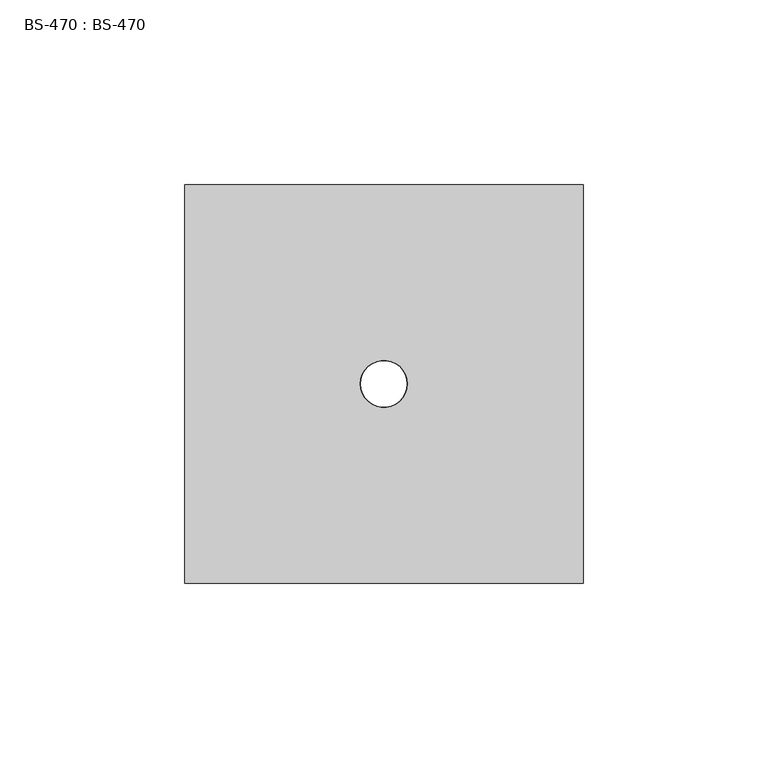
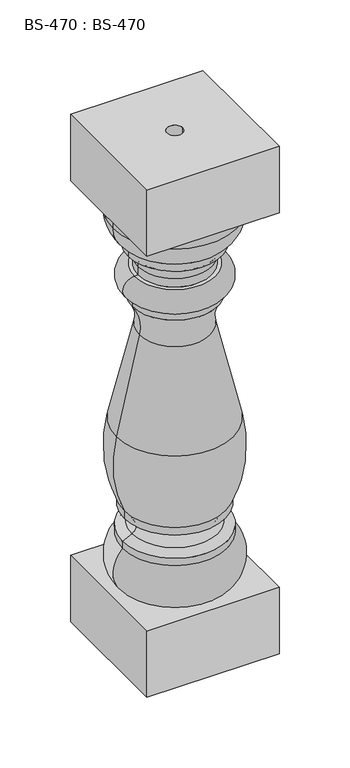
"""IFC4 building model written with IfcOpenShell, lengths in millimetres: proxy geometry, BS-470 : BS-470."""

import ifcopenshell
import ifcopenshell.guid

model = None  # the IFC model being written
_history = None  # IfcOwnerHistory: only IFC2X3 demands one
_inside = {}  # id of a spatial element -> (the spatial element, [elements in it])
_under = {}  # id of a project, library or spatial element -> (it, [spatial elements below it])
_declared = {}  # id of a project -> (the project, [libraries it declares])
_typed = {}  # id of a type object -> (the type object, [elements of that type])
_made_of = {}  # id of a material, layer set ... -> (it, [elements and type objects made of it])


def new_model(schema):
    """Start an empty IFC model of exactly this schema.

    Asked for "IFC4X3", IfcOpenShell would pick the latest addendum, in which some entities
    have other attributes; the version numbers below select the first issue.
    IFC2X3 requires an IfcOwnerHistory on every rooted entity: one is made here for all.
    """
    global model, _history
    if schema == "IFC4X3":
        model = ifcopenshell.file(schema_version=(4, 3, 0, 0))
    else:
        model = ifcopenshell.file(schema=schema)
    _inside.clear()
    _under.clear()
    _declared.clear()
    _typed.clear()
    _made_of.clear()
    _history = None
    if model.schema == "IFC2X3":
        org = make("IfcOrganization", Name="unknown")
        user = make(
            "IfcPersonAndOrganization",
            ThePerson=make("IfcPerson", FamilyName="unknown"),
            TheOrganization=org,
        )
        app = make(
            "IfcApplication",
            ApplicationDeveloper=org,
            Version="unknown",
            ApplicationFullName="unknown",
            ApplicationIdentifier="unknown",
        )
        _history = make(
            "IfcOwnerHistory",
            OwningUser=user,
            OwningApplication=app,
            ChangeAction="ADDED",
            CreationDate=0,
        )
    return model


def make(cls, **values):
    """One entity of the class cls with the attributes given. An attribute that is None is left unset."""
    return model.create_entity(
        cls, **{name: value for name, value in values.items() if value is not None}
    )


def rooted(cls, **values):
    """An entity with a GlobalId (a new one), such as an element, a storey or a relation."""
    return make(cls, GlobalId=ifcopenshell.guid.new(), OwnerHistory=_history, **values)


def si_unit(unit_type, name, prefix=None):
    """IfcSIUnit, for example si_unit("LENGTHUNIT", "METRE", prefix="MILLI")."""
    return make("IfcSIUnit", UnitType=unit_type, Prefix=prefix, Name=name)


def assignment(units):
    """IfcUnitAssignment: the units of a project."""
    return None if units is None else make("IfcUnitAssignment", Units=units)


def point(xyz):
    """IfcCartesianPoint."""
    return None if xyz is None else make("IfcCartesianPoint", Coordinates=xyz)


def direction(xyz):
    """IfcDirection."""
    return None if xyz is None else make("IfcDirection", DirectionRatios=xyz)


def frame(location, z_axis=None, x_axis=None):
    """IfcAxis2Placement3D, a coordinate frame: its origin and axes. An axis left out is left unset."""
    return make(
        "IfcAxis2Placement3D",
        Location=point(location),
        Axis=direction(z_axis),
        RefDirection=direction(x_axis),
    )


def frame_2d(location, x_axis=None):
    """IfcAxis2Placement2D, a coordinate frame in the plane: its origin and x axis."""
    return make(
        "IfcAxis2Placement2D", Location=point(location), RefDirection=direction(x_axis)
    )


def origin():
    """The frame at (0, 0, 0) with its axes left unset."""
    return frame((0.0, 0.0, 0.0))


def origin_with_axes():
    """The frame at (0, 0, 0) with the z axis (0, 0, 1) and the x axis (1, 0, 0) written out."""
    return frame((0.0, 0.0, 0.0), z_axis=(0.0, 0.0, 1.0), x_axis=(1.0, 0.0, 0.0))


def place(relative_to, where):
    """IfcLocalPlacement: puts the frame where relative to a parent placement (None: the world)."""
    return make(
        "IfcLocalPlacement", PlacementRelTo=relative_to, RelativePlacement=where
    )


def context(
    kind, dimensions, precision=None, world=None, true_north=None, identifier=None
):
    """IfcGeometricRepresentationContext, for example the 3D "Model" context."""
    return make(
        "IfcGeometricRepresentationContext",
        ContextIdentifier=identifier,
        ContextType=kind,
        CoordinateSpaceDimension=dimensions,
        Precision=precision,
        WorldCoordinateSystem=world,
        TrueNorth=true_north,
    )


def project(units=None, contexts=None):
    """IfcProject with its units and contexts."""
    return rooted(
        "IfcProject",
        Name="project",
        RepresentationContexts=contexts,
        UnitsInContext=assignment(units),
    )


def spatial(cls, under=None, at=None, **own):
    """A site, building, storey or space (cls), placed at a placement, below another one or the project."""
    s = rooted(cls, ObjectPlacement=at, **own)
    if under is not None:
        _under.setdefault(under.id(), (under, []))[1].append(s)
    return s


def polyline(points):
    """IfcPolyline through the points."""
    return make("IfcPolyline", Points=[point(p) for p in points])


def circle_curve(where, radius):
    """IfcCircle in the frame where."""
    return make("IfcCircle", Position=where, Radius=radius)


def ellipse_curve(where, semi_axis1, semi_axis2):
    """IfcEllipse in the frame where."""
    return make(
        "IfcEllipse", Position=where, SemiAxis1=semi_axis1, SemiAxis2=semi_axis2
    )


def trimmed(basis, trim1, trim2, sense, master):
    """IfcTrimmedCurve: the piece of a basis curve between two trims."""
    return make(
        "IfcTrimmedCurve",
        BasisCurve=basis,
        Trim1=trim1,
        Trim2=trim2,
        SenseAgreement=sense,
        MasterRepresentation=master,
    )


def segment(curve, same_sense, transition):
    """IfcCompositeCurveSegment."""
    return make(
        "IfcCompositeCurveSegment",
        Transition=transition,
        SameSense=same_sense,
        ParentCurve=curve,
    )


def composite_curve(segments, self_intersect=None):
    """IfcCompositeCurve: segments joined end to end."""
    return make("IfcCompositeCurve", Segments=segments, SelfIntersect=self_intersect)


def outline(outer, holes=None, kind="AREA"):
    """IfcArbitraryClosedProfileDef: a profile drawn as a closed curve; with holes, ...WithVoids."""
    if holes is None:
        return make("IfcArbitraryClosedProfileDef", ProfileType=kind, OuterCurve=outer)
    return make(
        "IfcArbitraryProfileDefWithVoids",
        ProfileType=kind,
        OuterCurve=outer,
        InnerCurves=holes,
    )


def extrude(swept, where, along, depth):
    """IfcExtrudedAreaSolid: the profile swept, set in the frame where, extruded along a direction by depth."""
    return make(
        "IfcExtrudedAreaSolid",
        SweptArea=swept,
        Position=where,
        ExtrudedDirection=direction(along),
        Depth=depth,
    )


def shape(context_of_items, identifier, shape_type, items):
    """IfcShapeRepresentation: the items that make up one representation, for example the "Body"."""
    return make(
        "IfcShapeRepresentation",
        ContextOfItems=context_of_items,
        RepresentationIdentifier=identifier,
        RepresentationType=shape_type,
        Items=items,
    )


def source(mapping_origin, context_of_items, identifier, shape_type, items):
    """IfcRepresentationMap: a shape defined once, which mapped items show again and again."""
    return make(
        "IfcRepresentationMap",
        MappingOrigin=mapping_origin,
        MappedRepresentation=shape(context_of_items, identifier, shape_type, items),
    )


def transform(
    local_origin,
    x_axis=None,
    y_axis=None,
    z_axis=None,
    scale=None,
    scale2=None,
    scale3=None,
    uniform=True,
):
    """IfcCartesianTransformationOperator3D, or its non-uniform kind. x_axis, y_axis, z_axis: its Axis1, 2, 3."""
    if uniform:
        return make(
            "IfcCartesianTransformationOperator3D",
            Axis1=direction(x_axis),
            Axis2=direction(y_axis),
            LocalOrigin=point(local_origin),
            Scale=scale,
            Axis3=direction(z_axis),
        )
    return make(
        "IfcCartesianTransformationOperator3DnonUniform",
        Axis1=direction(x_axis),
        Axis2=direction(y_axis),
        LocalOrigin=point(local_origin),
        Scale=scale,
        Axis3=direction(z_axis),
        Scale2=scale2,
        Scale3=scale3,
    )


def mapped(mapping_source, mapping_target):
    """IfcMappedItem: shows the shape of a source again, moved by a transform."""
    return make(
        "IfcMappedItem", MappingSource=mapping_source, MappingTarget=mapping_target
    )


def made_of(thing, what):
    """Note that an element or type object is made of a material, layer set ...; save() writes the relation."""
    if what is not None:
        _made_of.setdefault(what.id(), (what, []))[1].append(thing)
    return thing


def element(
    cls,
    number,
    at=None,
    inside=None,
    cuts=None,
    type_object=None,
    material=None,
    context=None,
    identifier="Body",
    shape_type=None,
    held_by="IfcProductDefinitionShape",
    body=None,
    shapes=None,
    **own,
):
    """One element of the class cls, such as IfcWall. Its Tag is "e" and its number.

    at: its placement. inside: the storey or other place that contains it. cuts: it is an
    opening in that element (IfcRelVoidsElement). A single representation is given by context,
    identifier, shape_type and body (its items); several are given by shapes. held_by: the class
    of the entity that holds the representations. save() writes the other relations.
    """
    e = rooted(cls, Tag="e%d" % number, ObjectPlacement=at, **own)
    if body is not None:
        shapes = [shape(context, identifier, shape_type, body)]
    if shapes is not None:
        e.Representation = make(held_by, Representations=shapes)
    if inside is not None:
        _inside.setdefault(inside.id(), (inside, []))[1].append(e)
    if cuts is not None:
        rooted(
            "IfcRelVoidsElement", RelatingBuildingElement=cuts, RelatedOpeningElement=e
        )
    if type_object is not None:
        _typed.setdefault(type_object.id(), (type_object, []))[1].append(e)
    return made_of(e, material)


def aggregate(whole, parts):
    """IfcRelAggregates: a whole, such as a stair, and the parts it consists of."""
    return rooted("IfcRelAggregates", RelatingObject=whole, RelatedObjects=parts)


def save(model, path):
    """Write the relations noted so far, then the file.

    IfcRelAggregates (storeys below a building ...), IfcRelContainedInSpatialStructure (elements
    in a storey), IfcRelDefinesByType, IfcRelAssociatesMaterial and IfcRelDeclares: one each for
    every whole, place, type object, material and project.
    """
    for whole, parts in _under.values():
        aggregate(whole, parts)
    for where, things in _inside.values():
        rooted(
            "IfcRelContainedInSpatialStructure",
            RelatedElements=things,
            RelatingStructure=where,
        )
    for kind, things in _typed.values():
        rooted("IfcRelDefinesByType", RelatedObjects=things, RelatingType=kind)
    for what, things in _made_of.values():
        rooted("IfcRelAssociatesMaterial", RelatedObjects=things, RelatingMaterial=what)
    for by, libraries in _declared.values():
        rooted("IfcRelDeclares", RelatingContext=by, RelatedDefinitions=libraries)
    model.write(path)


def plane_surface(at):
    """IfcPlane: the flat surface through the origin of the frame at, square to its z axis."""
    return make("IfcPlane", Position=at)


def cylinder_surface(at, radius):
    """IfcCylindricalSurface: all points at the distance radius from the z axis of the frame at."""
    return make("IfcCylindricalSurface", Position=at, Radius=radius)


def revolved_surface(curve, axis_point, axis_direction):
    """IfcSurfaceOfRevolution: the curve turned about the line through axis_point along axis_direction."""
    return make(
        "IfcSurfaceOfRevolution",
        SweptCurve=make("IfcArbitraryOpenProfileDef", ProfileType="CURVE", Curve=curve),
        AxisPosition=make("IfcAxis1Placement", Location=point(axis_point), Axis=direction(axis_direction)),
    )


def advanced_brep(points, edges, surfaces, faces):
    """IfcAdvancedBrep: a solid bounded by faces that lie on surfaces and meet in shared edges.

    An edge is (start, end): straight between two places in points (the first is 0);
    or (start, end, curve); or (start, end, curve, False) where it runs against its curve.
    A face is (place in surfaces, loops), or (place, loops, False) where it looks against
    its surface's normal. A loop lists edges by number (the first is 1), with a minus sign
    where the edge is run from its end to its start. The first loop is the outer one.
    """
    corners = [point(p) for p in points]
    vertices = [make("IfcVertexPoint", VertexGeometry=c) for c in corners]
    made = []
    for start, end, *more in edges:
        made.append(
            make(
                "IfcEdgeCurve",
                EdgeStart=vertices[start],
                EdgeEnd=vertices[end],
                EdgeGeometry=more[0] if more else make("IfcPolyline", Points=[corners[start], corners[end]]),
                SameSense=more[1] if len(more) > 1 else True,
            )
        )
    hull = []
    for where, loops, *sense in faces:
        bounds = []
        for j, loop in enumerate(loops):
            ring = [make("IfcOrientedEdge", EdgeElement=made[abs(k) - 1], Orientation=k > 0) for k in loop]
            bounds.append(
                make(
                    "IfcFaceOuterBound" if j == 0 else "IfcFaceBound",
                    Bound=make("IfcEdgeLoop", EdgeList=ring),
                    Orientation=True,
                )
            )
        hull.append(make("IfcAdvancedFace", Bounds=bounds, FaceSurface=surfaces[where], SameSense=sense[0] if sense else True))
    return make("IfcAdvancedBrep", Outer=make("IfcClosedShell", CfsFaces=hull))


def bs_470_bs_470_56247c0d(model_context):
    return source(origin(), model_context, "Body", "SolidModel", [
        extrude(outline(polyline([(53.975, -53.975), (-53.975, -53.975), (-53.975, 53.975), (53.975, 53.975), (53.975, -53.975)]), holes=[composite_curve([segment(trimmed(circle_curve(frame_2d((-0.0004312, 0.0)), 6.35), [point((-6.3504312, 0.0))], [point((6.3495688, 0.0))], True, "CARTESIAN"), True, "CONTINUOUS"), segment(trimmed(circle_curve(frame_2d((-0.0004312, 0.0)), 6.35), [point((6.3495688, 0.0))], [point((-6.3504312, 0.0))], True, "CARTESIAN"), True, "CONTINUOUS")], self_intersect=False)]), origin_with_axes(), (0.0, 0.0, 1.0), 57.15),
        advanced_brep(
        [(-50.8002156, 0.0, 371.2470453), (50.7997844, 0.0, 371.2470453), (38.0997844, 0.0, 349.25), (-38.1002156, 0.0, 349.25), (-50.8002156, 0.0, 381.0), (50.7997844, 0.0, 381.0), (-6.3504312, 0.0, 381.0), (6.3495688, 0.0, 381.0), (-44.7282352, 0.0, 57.15), (44.727804, 0.0, 57.15), (6.3495688, 0.0, 57.15), (-6.3504312, 0.0, 57.15), (-42.8627156, 0.0, 92.075), (42.8622844, 0.0, 92.075), (-42.8627156, 0.0, 98.425), (42.8622844, 0.0, 98.425), (-35.2978513, 0.0, 102.1508718), (35.2974201, 0.0, 102.1508718), (-34.6471333, 0.0, 113.1743127), (34.646702, 0.0, 113.1743127), (-41.2752156, 0.0, 117.475), (41.2747844, 0.0, 117.475), (-41.2752156, 0.0, 123.825), (41.2747844, 0.0, 123.825), (-48.0563106, 0.0, 190.2283753), (48.0558793, 0.0, 190.2283753), (-29.1151859, 0.0, 271.6548667), (29.1147547, 0.0, 271.6548667), (-34.9252156, 0.0, 298.45), (34.9247844, 0.0, 298.45), (-34.9252156, 0.0, 304.8), (34.9247844, 0.0, 304.8), (-36.4854003, 0.0, 305.3600005), (36.4849691, 0.0, 305.3600005), (-33.2675737, 0.0, 323.85), (33.2671425, 0.0, 323.85), (-30.1627156, 0.0, 323.85), (30.1622844, 0.0, 323.85), (-30.1627156, 0.0, 331.1267849), (30.1622844, 0.0, 331.1267849), (-38.1002156, 0.0, 342.9), (38.0997844, 0.0, 342.9)],
        [
            (0, 1, circle_curve(frame((-0.0002156, 0.0, 371.2470453), z_axis=(0.0, 0.0, -1.0), x_axis=(1.0, 0.0, 0.0)), 50.8)),
            (1, 2, circle_curve(frame((25.3997844, 0.0, 371.2470453), z_axis=(0.0, 1.0, 0.0), x_axis=(1.0, 0.0, 0.0)), 25.4)),
            (2, 3, circle_curve(frame((-0.0002156, 0.0, 349.25), z_axis=(0.0, 0.0, 1.0), x_axis=(1.0, 0.0, 0.0)), 38.1)),
            (3, 0, circle_curve(frame((-25.4002156, 0.0, 371.2470453), z_axis=(0.0, 1.0, 0.0), x_axis=(-1.0, 0.0, 0.0)), 25.4)),
            (1, 0, circle_curve(frame((-0.0002156, 0.0, 371.2470453), z_axis=(0.0, 0.0, -1.0), x_axis=(1.0, 0.0, 0.0)), 50.8)),
            (3, 2, circle_curve(frame((-0.0002156, 0.0, 349.25), z_axis=(0.0, 0.0, 1.0), x_axis=(1.0, 0.0, 0.0)), 38.1)),
            (0, 4),
            (4, 5, circle_curve(frame((-0.0002156, 0.0, 381.0), z_axis=(0.0, 0.0, -1.0), x_axis=(1.0, 0.0, 0.0)), 50.8)),
            (5, 1),
            (5, 4, circle_curve(frame((-0.0002156, 0.0, 381.0), z_axis=(0.0, 0.0, -1.0), x_axis=(1.0, 0.0, 0.0)), 50.8)),
            (4, 6),
            (6, 7, circle_curve(frame((-0.0004312, 0.0, 381.0), z_axis=(0.0, 0.0, -1.0), x_axis=(1.0, 0.0, 0.0)), 6.35)),
            (7, 5),
            (7, 6, circle_curve(frame((-0.0004312, 0.0, 381.0), z_axis=(0.0, 0.0, -1.0), x_axis=(1.0, 0.0, 0.0)), 6.35)),
            (8, 9, circle_curve(frame((-0.0002156, 0.0, 57.15), z_axis=(0.0, 0.0, -1.0), x_axis=(1.0, 0.0, 0.0)), 44.7280196)),
            (9, 10),
            (10, 11, circle_curve(frame((-0.0004312, 0.0, 57.15), z_axis=(0.0, 0.0, 1.0), x_axis=(1.0, 0.0, 0.0)), 6.35)),
            (11, 8),
            (9, 8, circle_curve(frame((-0.0002156, 0.0, 57.15), z_axis=(0.0, 0.0, -1.0), x_axis=(1.0, 0.0, 0.0)), 44.7280196)),
            (11, 10, circle_curve(frame((-0.0004312, 0.0, 57.15), z_axis=(0.0, 0.0, 1.0), x_axis=(1.0, 0.0, 0.0)), 6.35)),
            (8, 12, circle_curve(frame((-25.4002156, 0.0, 73.6299168), z_axis=(0.0, 1.0, 0.0), x_axis=(-1.0, 0.0, 0.0)), 25.4)),
            (12, 13, circle_curve(frame((-0.0002156, 0.0, 92.075), z_axis=(0.0, 0.0, -1.0), x_axis=(1.0, 0.0, 0.0)), 42.8625)),
            (13, 9, circle_curve(frame((25.3997844, 0.0, 73.6299168), z_axis=(0.0, 1.0, 0.0), x_axis=(1.0, 0.0, 0.0)), 25.4)),
            (13, 12, circle_curve(frame((-0.0002156, 0.0, 92.075), z_axis=(0.0, 0.0, -1.0), x_axis=(1.0, 0.0, 0.0)), 42.8625)),
            (12, 14),
            (14, 15, circle_curve(frame((-0.0002156, 0.0, 98.425), z_axis=(0.0, 0.0, -1.0), x_axis=(1.0, 0.0, 0.0)), 42.8625)),
            (15, 13),
            (15, 14, circle_curve(frame((-0.0002156, 0.0, 98.425), z_axis=(0.0, 0.0, -1.0), x_axis=(1.0, 0.0, 0.0)), 42.8625)),
            (14, 16),
            (16, 17, circle_curve(frame((-0.0002156, 0.0, 102.1508718), z_axis=(0.0, 0.0, -1.0), x_axis=(1.0, 0.0, 0.0)), 35.2976357)),
            (17, 15),
            (17, 16, circle_curve(frame((-0.0002156, 0.0, 102.1508718), z_axis=(0.0, 0.0, -1.0), x_axis=(1.0, 0.0, 0.0)), 35.2976357)),
            (16, 18, circle_curve(frame((-38.1035334, 0.0, 107.8474189), z_axis=(0.0, -1.0000000000000002, 0.0), x_axis=(0.5443149788826207, 0.0, 0.838880923471271)), 6.35)),
            (18, 19, circle_curve(frame((-0.0002156, 0.0, 113.1743127), z_axis=(0.0, 0.0, -1.0), x_axis=(1.0, 0.0, 0.0)), 34.6469176)),
            (19, 17, circle_curve(frame((38.1031021, 0.0, 107.8474189), z_axis=(0.0, -1.0000000000000002, 0.0), x_axis=(-0.544314978882618, 0.0, 0.8388809234712727)), 6.35)),
            (19, 18, circle_curve(frame((-0.0002156, 0.0, 113.1743127), z_axis=(0.0, 0.0, -1.0), x_axis=(1.0, 0.0, 0.0)), 34.6469176)),
            (18, 20),
            (20, 21, circle_curve(frame((-0.0002156, 0.0, 117.475), z_axis=(0.0, 0.0, -1.0), x_axis=(1.0, 0.0, 0.0)), 41.275)),
            (21, 19),
            (21, 20, circle_curve(frame((-0.0002156, 0.0, 117.475), z_axis=(0.0, 0.0, -1.0), x_axis=(1.0, 0.0, 0.0)), 41.275)),
            (20, 22),
            (22, 23, circle_curve(frame((-0.0002156, 0.0, 123.825), z_axis=(0.0, 0.0, -1.0), x_axis=(1.0, 0.0, 0.0)), 41.275)),
            (23, 21),
            (23, 22, circle_curve(frame((-0.0002156, 0.0, 123.825), z_axis=(0.0, 0.0, -1.0), x_axis=(1.0, 0.0, 0.0)), 41.275)),
            (22, 24, circle_curve(frame((52.1657501, 0.0, 166.9150959), z_axis=(0.0, 1.0, 0.0), x_axis=(1.0, 0.0, 0.0)), 102.8978641)),
            (24, 25, circle_curve(frame((-0.0002156, 0.0, 190.2283753), z_axis=(0.0, 0.0, -1.0), x_axis=(1.0, 0.0, 0.0)), 48.056095)),
            (25, 23, circle_curve(frame((-52.1661813, 0.0, 166.9150959), z_axis=(0.0, 1.0, 0.0), x_axis=(-1.0, 0.0, 0.0)), 102.8978641)),
            (25, 24, circle_curve(frame((-0.0002156, 0.0, 190.2283753), z_axis=(0.0, 0.0, -1.0), x_axis=(1.0, 0.0, 0.0)), 48.056095)),
            (24, 26),
            (26, 27, circle_curve(frame((-0.0002156, 0.0, 271.6548667), z_axis=(0.0, 0.0, -1.0), x_axis=(1.0, 0.0, 0.0)), 29.1149703)),
            (27, 25),
            (27, 26, circle_curve(frame((-0.0002156, 0.0, 271.6548667), z_axis=(0.0, 0.0, -1.0), x_axis=(1.0, 0.0, 0.0)), 29.1149703)),
            (26, 28, circle_curve(frame((-60.325632, 0.0, 278.9149235), z_axis=(0.0, -1.0, 0.0), x_axis=(1.0, 0.0, 0.0)), 32.0437259)),
            (28, 29, circle_curve(frame((-0.0002156, 0.0, 298.45), z_axis=(0.0, 0.0, -1.0), x_axis=(1.0, 0.0, 0.0)), 34.925)),
            (29, 27, circle_curve(frame((60.3252008, 0.0, 278.9149235), z_axis=(0.0, -1.0, 0.0), x_axis=(-1.0, 0.0, 0.0)), 32.0437259)),
            (29, 28, circle_curve(frame((-0.0002156, 0.0, 298.45), z_axis=(0.0, 0.0, -1.0), x_axis=(1.0, 0.0, 0.0)), 34.925)),
            (28, 30),
            (30, 31, circle_curve(frame((-0.0002156, 0.0, 304.8), z_axis=(0.0, 0.0, -1.0), x_axis=(1.0, 0.0, 0.0)), 34.925)),
            (31, 29),
            (31, 30, circle_curve(frame((-0.0002156, 0.0, 304.8), z_axis=(0.0, 0.0, -1.0), x_axis=(1.0, 0.0, 0.0)), 34.925)),
            (30, 32),
            (32, 33, circle_curve(frame((-0.0002156, 0.0, 305.3600005), z_axis=(0.0, 0.0, -1.0), x_axis=(1.0, 0.0, 0.0)), 36.4851847)),
            (33, 31),
            (33, 32, circle_curve(frame((-0.0002156, 0.0, 305.3600005), z_axis=(0.0, 0.0, -1.0), x_axis=(1.0, 0.0, 0.0)), 36.4851847)),
            (32, 34, circle_curve(frame((-33.2675737, 0.0, 314.325), z_axis=(0.0, 1.0000000000000002, 0.0), x_axis=(-0.3378295658936581, 0.0, -0.9412073015059449)), 9.525)),
            (34, 35, circle_curve(frame((-0.0002156, 0.0, 323.85), z_axis=(0.0, 0.0, -1.0), x_axis=(1.0, 0.0, 0.0)), 33.2673581)),
            (35, 33, circle_curve(frame((33.2671425, 0.0, 314.325), z_axis=(0.0, 1.0000000000000002, 0.0), x_axis=(0.3378295658936551, 0.0, -0.941207301505946)), 9.525)),
            (35, 34, circle_curve(frame((-0.0002156, 0.0, 323.85), z_axis=(0.0, 0.0, -1.0), x_axis=(1.0, 0.0, 0.0)), 33.2673581)),
            (34, 36),
            (36, 37, circle_curve(frame((-0.0002156, 0.0, 323.85), z_axis=(0.0, 0.0, -1.0), x_axis=(1.0, 0.0, 0.0)), 30.1625)),
            (37, 35),
            (37, 36, circle_curve(frame((-0.0002156, 0.0, 323.85), z_axis=(0.0, 0.0, -1.0), x_axis=(1.0, 0.0, 0.0)), 30.1625)),
            (36, 38),
            (38, 39, circle_curve(frame((-0.0002156, 0.0, 331.1267849), z_axis=(0.0, 0.0, -1.0), x_axis=(1.0, 0.0, 0.0)), 30.1625)),
            (39, 37),
            (39, 38, circle_curve(frame((-0.0002156, 0.0, 331.1267849), z_axis=(0.0, 0.0, -1.0), x_axis=(1.0, 0.0, 0.0)), 30.1625)),
            (38, 40, circle_curve(frame((-42.8627156, 0.0, 331.1267849), z_axis=(0.0, -1.0, 0.0), x_axis=(1.0, 0.0, 0.0)), 12.7)),
            (40, 41, circle_curve(frame((-0.0002156, 0.0, 342.9), z_axis=(0.0, 0.0, -1.0), x_axis=(1.0, 0.0, 0.0)), 38.1)),
            (41, 39, circle_curve(frame((42.8622844, 0.0, 331.1267849), z_axis=(0.0, -1.0, 0.0), x_axis=(-1.0, 0.0, 0.0)), 12.7)),
            (41, 40, circle_curve(frame((-0.0002156, 0.0, 342.9), z_axis=(0.0, 0.0, -1.0), x_axis=(1.0, 0.0, 0.0)), 38.1)),
            (2, 41),
            (40, 3),
            (7, 10),
            (11, 6),
        ],
        [
            revolved_surface(trimmed(ellipse_curve(frame((25.3997844, 0.0, 371.2470453), z_axis=(0.0, -1.0, 0.0), x_axis=(1.0, 0.0, 0.0)), 25.4, 25.4), [point((38.0997844, 0.0, 349.25))], [point((50.7997844, 0.0, 371.2470453))], True, "CARTESIAN"), (-0.0002156, 0.0, 381.0), (0.0, 0.0, 1.0)),
            cylinder_surface(frame((-0.0002156, 0.0, 381.0), z_axis=(0.0, 0.0, 1.0), x_axis=(1.0, 0.0, 0.0)), 50.8),
            plane_surface(frame((-0.0002156, 0.0, 381.0), z_axis=(0.0, 0.0, 1.0), x_axis=(1.0, 0.0, 0.0))),
            plane_surface(frame((-0.0002156, 0.0, 57.15), z_axis=(0.0, 0.0, -1.0), x_axis=(1.0, 0.0, 0.0))),
            revolved_surface(trimmed(ellipse_curve(frame((25.3997844, 0.0, 73.6299168), z_axis=(0.0, -1.0, 0.0), x_axis=(1.0, 0.0, 0.0)), 25.4, 25.4), [point((44.727804, 0.0, 57.15))], [point((42.8622844, 0.0, 92.075))], True, "CARTESIAN"), (-0.0002156, 0.0, 381.0), (0.0, 0.0, 1.0)),
            cylinder_surface(frame((-0.0002156, 0.0, 381.0), z_axis=(0.0, 0.0, 1.0), x_axis=(1.0, 0.0, 0.0)), 42.8625),
            revolved_surface(polyline([(42.8622844, 0.0, 98.425), (35.2974201, 0.0, 102.1508718)]), (-0.0002156, 0.0, 381.0), (0.0, 0.0, 1.0)),
            revolved_surface(trimmed(ellipse_curve(frame((38.1031021, 0.0, 107.8474189), z_axis=(0.0, 1.0000000000000002, 0.0), x_axis=(-0.544314978882618, 0.0, 0.8388809234712727)), 6.35, 6.35), [point((35.2974201, 0.0, 102.1508718))], [point((34.646702, 0.0, 113.1743127))], True, "CARTESIAN"), (-0.0002156, 0.0, 381.0), (0.0, 0.0, 1.0)),
            revolved_surface(polyline([(34.646702, 0.0, 113.1743127), (41.2747844, 0.0, 117.475)]), (-0.0002156, 0.0, 381.0), (0.0, 0.0, 1.0)),
            cylinder_surface(frame((-0.0002156, 0.0, 381.0), z_axis=(0.0, 0.0, 1.0), x_axis=(1.0, 0.0, 0.0)), 41.275),
            revolved_surface(trimmed(ellipse_curve(frame((-52.1661813, 0.0, 166.9150959), z_axis=(0.0, -1.0, 0.0), x_axis=(-1.0, 0.0, 0.0)), 102.8978641, 102.8978641), [point((41.2747844, 0.0, 123.825))], [point((48.0558793, 0.0, 190.2283753))], True, "CARTESIAN"), (-0.0002156, 0.0, 381.0), (0.0, 0.0, 1.0)),
            revolved_surface(polyline([(48.0558793, 0.0, 190.2283753), (29.1147547, 0.0, 271.6548667)]), (-0.0002156, 0.0, 381.0), (0.0, 0.0, 1.0)),
            revolved_surface(trimmed(ellipse_curve(frame((60.3252008, 0.0, 278.9149235), z_axis=(0.0, 1.0, 0.0), x_axis=(-1.0, 0.0, 0.0)), 32.0437259, 32.0437259), [point((29.1147547, 0.0, 271.6548667))], [point((34.9247844, 0.0, 298.45))], True, "CARTESIAN"), (-0.0002156, 0.0, 381.0), (0.0, 0.0, 1.0)),
            cylinder_surface(frame((-0.0002156, 0.0, 381.0), z_axis=(0.0, 0.0, 1.0), x_axis=(1.0, 0.0, 0.0)), 34.925),
            revolved_surface(polyline([(34.9247844, 0.0, 304.8), (36.4849691, 0.0, 305.3600005)]), (-0.0002156, 0.0, 381.0), (0.0, 0.0, 1.0)),
            revolved_surface(trimmed(ellipse_curve(frame((33.2671425, 0.0, 314.325), z_axis=(0.0, -1.0000000000000002, 0.0), x_axis=(0.3378295658936551, 0.0, -0.941207301505946)), 9.525, 9.525), [point((36.4849691, 0.0, 305.3600005))], [point((33.2671425, 0.0, 323.85))], True, "CARTESIAN"), (-0.0002156, 0.0, 381.0), (0.0, 0.0, 1.0)),
            plane_surface(frame((-0.0002156, 0.0, 323.85), z_axis=(0.0, 0.0, 1.0), x_axis=(1.0, 0.0, 0.0))),
            cylinder_surface(frame((-0.0002156, 0.0, 381.0), z_axis=(0.0, 0.0, 1.0), x_axis=(1.0, 0.0, 0.0)), 30.1625),
            revolved_surface(trimmed(ellipse_curve(frame((42.8622844, 0.0, 331.1267849), z_axis=(0.0, 1.0, 0.0), x_axis=(-1.0, 0.0, 0.0)), 12.7, 12.7), [point((30.1622844, 0.0, 331.1267849))], [point((38.0997844, 0.0, 342.9))], True, "CARTESIAN"), (-0.0002156, 0.0, 381.0), (0.0, 0.0, 1.0)),
            cylinder_surface(frame((-0.0002156, 0.0, 381.0), z_axis=(0.0, 0.0, 1.0), x_axis=(1.0, 0.0, 0.0)), 38.1),
            revolved_surface(polyline([(6.349568799999999, 0.0, 381.0), (6.349568799999999, 0.0, 57.15)]), (-0.0004312, 0.0, 0.0), (0.0, 0.0, 1.0)),
        ],
        [
            (0, [[1, 2, 3, 4]]),
            (0, [[-2, 5, -4, 6]]),
            (1, [[-1, 7, 8, 9]]),
            (1, [[-5, -9, 10, -7]]),
            (2, [[-8, 11, 12, 13]]),
            (2, [[-10, -13, 14, -11]]),
            (3, [[15, 16, 17, 18]]),
            (3, [[19, -18, 20, -16]]),
            (4, [[-15, 21, 22, 23]]),
            (4, [[-19, -23, 24, -21]]),
            (5, [[-22, 25, 26, 27]]),
            (5, [[-24, -27, 28, -25]]),
            (6, [[-26, 29, 30, 31]]),
            (6, [[-28, -31, 32, -29]]),
            (7, [[-30, 33, 34, 35]]),
            (7, [[-32, -35, 36, -33]]),
            (8, [[-34, 37, 38, 39]]),
            (8, [[-36, -39, 40, -37]]),
            (9, [[-38, 41, 42, 43]]),
            (9, [[-40, -43, 44, -41]]),
            (10, [[-42, 45, 46, 47]]),
            (10, [[-44, -47, 48, -45]]),
            (11, [[-46, 49, 50, 51]]),
            (11, [[-48, -51, 52, -49]]),
            (12, [[-50, 53, 54, 55]]),
            (12, [[-52, -55, 56, -53]]),
            (13, [[-54, 57, 58, 59]]),
            (13, [[-56, -59, 60, -57]]),
            (14, [[-58, 61, 62, 63]]),
            (14, [[-60, -63, 64, -61]]),
            (15, [[-62, 65, 66, 67]]),
            (15, [[-64, -67, 68, -65]]),
            (16, [[-66, 69, 70, 71]]),
            (16, [[-68, -71, 72, -69]]),
            (17, [[-70, 73, 74, 75]]),
            (17, [[-72, -75, 76, -73]]),
            (18, [[-74, 77, 78, 79]]),
            (18, [[-76, -79, 80, -77]]),
            (19, [[-3, 81, -78, 82]]),
            (19, [[-6, -82, -80, -81]]),
            (20, [[83, -20, 84, -14]]),
            (20, [[-83, -12, -84, -17]]),
        ],
    ),
        extrude(outline(polyline([(53.9747844, -53.975), (-53.9752156, -53.975), (-53.9752156, 53.975), (53.9747844, 53.975), (53.9747844, -53.975)]), holes=[composite_curve([segment(trimmed(circle_curve(frame_2d((-0.0004312, 0.0)), 6.35), [point((-6.3504312, 0.0))], [point((6.3495688, 0.0))], True, "CARTESIAN"), True, "CONTINUOUS"), segment(trimmed(circle_curve(frame_2d((-0.0004312, 0.0)), 6.35), [point((6.3495688, 0.0))], [point((-6.3504312, 0.0))], True, "CARTESIAN"), True, "CONTINUOUS")], self_intersect=False)]), frame((0.0, 0.0, 381.0), z_axis=(0.0, 0.0, 1.0), x_axis=(1.0, 0.0, 0.0)), (0.0, 0.0, 1.0), 57.15),
    ])


if __name__ == "__main__":
    model = new_model("IFC4")
    model_context = context("Model", 3, world=origin())
    ifc_project = project(units=[si_unit("LENGTHUNIT", "METRE", prefix="MILLI")], contexts=[model_context])
    site = spatial("IfcSite", under=ifc_project)
    building = spatial("IfcBuilding", under=site)
    placement = place(None, origin())
    bs_470_bs_470_shape = bs_470_bs_470_56247c0d(model_context)
    element("IfcBuildingElementProxy", 1, Name="BS-470 : BS-470", ObjectType="BS-470 : BS-470", at=placement, inside=building, context=model_context, shape_type="MappedRepresentation", body=[
        mapped(bs_470_bs_470_shape, transform((0.0, 0.0, 0.0), x_axis=(1.0, 0.0, 0.0), y_axis=(0.0, 1.0, 0.0), z_axis=(0.0, 0.0, 1.0))),
    ])
    save(model, "model.ifc")
